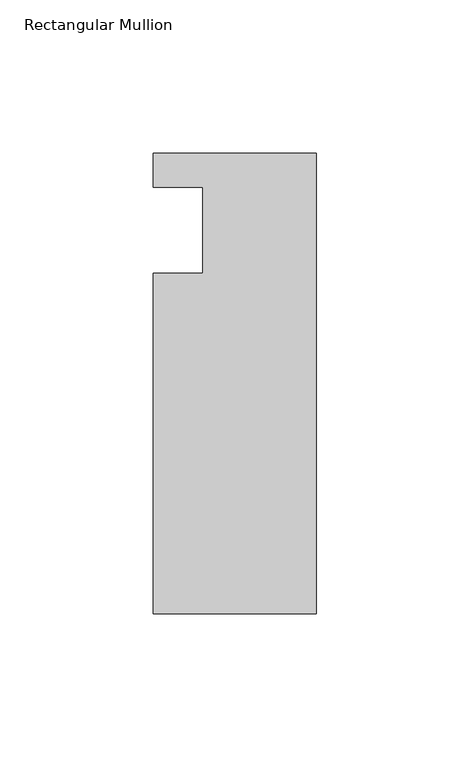
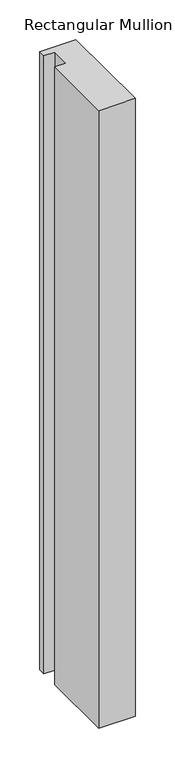
"""IFC4 building model written with IfcOpenShell, lengths in millimetres: member geometry, Rectangular Mullion."""

from ifc_helpers import new_model, si_unit, frame, origin, place, context, project, spatial, polyline, outline, extrude, source, transform, mapped, element, save


def rectangular_mullion_ef6d8d32(model_context):
    return source(origin(), model_context, "Body", "SweptSolid", [
        extrude(outline(polyline([(-37.0, -14.0), (-37.0, 14.0), (-53.0, 14.0), (-53.0, 25.0), (0.0, 25.0), (0.0, -125.0), (-53.0, -125.0), (-53.0, -14.0), (-37.0, -14.0)])), frame((0.0, 0.0, -953.6595328), z_axis=(0.0, 0.0, 1.0), x_axis=(1.0, 0.0, 0.0)), (0.0, 0.0, 1.0), 953.6595328),
    ])


if __name__ == "__main__":
    model = new_model("IFC4")
    model_context = context("Model", 3, world=origin())
    ifc_project = project(units=[si_unit("LENGTHUNIT", "METRE", prefix="MILLI")], contexts=[model_context])
    site = spatial("IfcSite", under=ifc_project)
    building = spatial("IfcBuilding", under=site)
    placement = place(None, origin())
    rectangular_mullion_shape = rectangular_mullion_ef6d8d32(model_context)
    element("IfcMember", 1, ObjectType="Rectangular Mullion", at=placement, inside=building, context=model_context, shape_type="MappedRepresentation", body=[
        mapped(rectangular_mullion_shape, transform((0.0, 0.0, 0.0), x_axis=(1.0, 0.0, 0.0), y_axis=(0.0, 1.0, 0.0), z_axis=(0.0, 0.0, 1.0))),
    ])
    save(model, "model.ifc")
